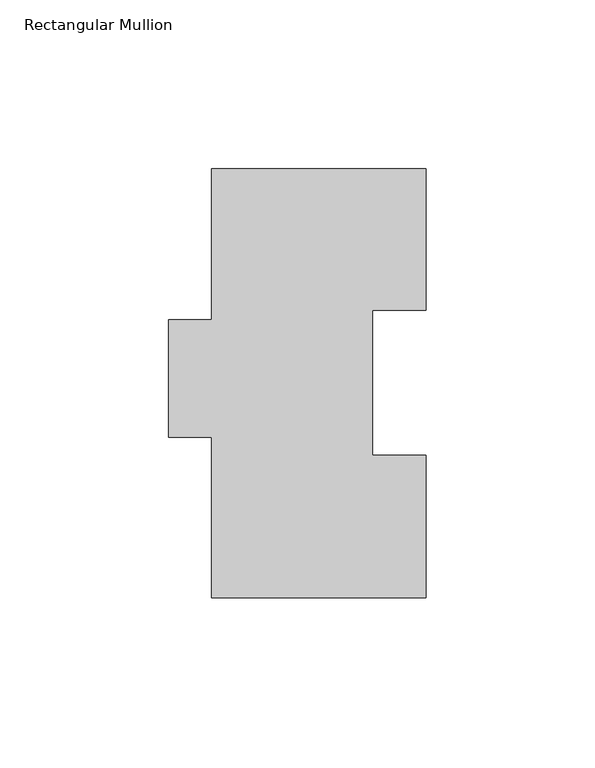
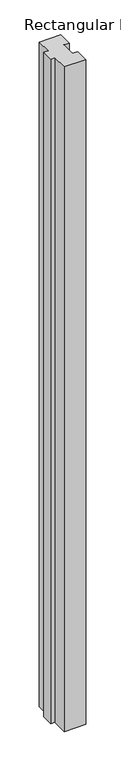
"""IFC4 building model written with IfcOpenShell, lengths in millimetres: member geometry, Rectangular Mullion."""

from ifc_helpers import new_model, si_unit, frame, origin, place, context, project, spatial, polyline, outline, extrude, source, transform, mapped, element, save


def rectangular_mullion_a23aad70(model_context):
    return source(origin(), model_context, "Body", "SweptSolid", [
        extrude(outline(polyline([(31.75, 126.9888875), (31.75, 85.1296875), (15.8496, 85.1296875), (15.8496, 42.2798875), (31.75, 42.2798875), (31.75, -0.0111125), (-31.75, -0.0111125), (-31.75, 47.6138875), (-44.45, 47.6138875), (-44.45, 82.2848875), (-31.75, 82.2848875), (-31.75, 126.9888875), (31.75, 126.9888875)])), frame((0.0, 0.0, -2057.4), z_axis=(0.0, 0.0, 1.0), x_axis=(1.0, 0.0, 0.0)), (0.0, 0.0, 1.0), 2057.4),
    ])


if __name__ == "__main__":
    model = new_model("IFC4")
    model_context = context("Model", 3, world=origin())
    ifc_project = project(units=[si_unit("LENGTHUNIT", "METRE", prefix="MILLI")], contexts=[model_context])
    site = spatial("IfcSite", under=ifc_project)
    building = spatial("IfcBuilding", under=site)
    placement = place(None, origin())
    rectangular_mullion_shape = rectangular_mullion_a23aad70(model_context)
    element("IfcMember", 1, ObjectType="Rectangular Mullion", at=placement, inside=building, context=model_context, shape_type="MappedRepresentation", body=[
        mapped(rectangular_mullion_shape, transform((0.0, 0.0, 0.0), x_axis=(1.0, 0.0, 0.0), y_axis=(0.0, 1.0, 0.0), z_axis=(0.0, 0.0, 1.0))),
    ])
    save(model, "model.ifc")
